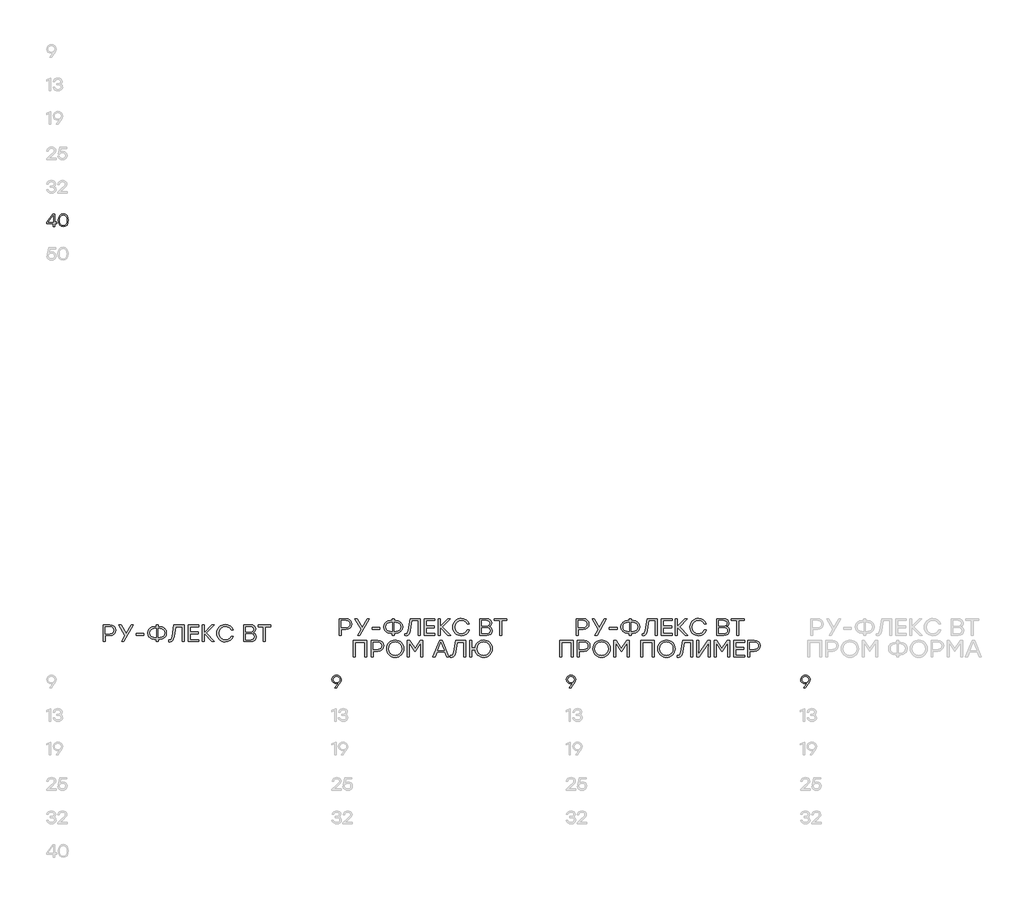
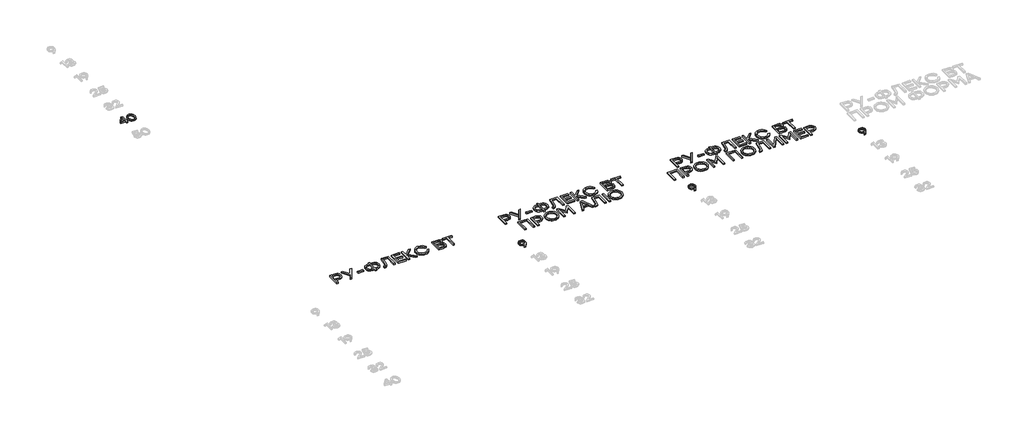
# One storey, part 14 of 41: 7 proxies.
"""IFC4 building model written with IfcOpenShell, lengths in millimetres."""

import ifcopenshell
import ifcopenshell.guid

model = None  # the IFC model being written
_history = None  # IfcOwnerHistory: only IFC2X3 demands one
_inside = {}  # id of a spatial element -> (the spatial element, [elements in it])
_under = {}  # id of a project, library or spatial element -> (it, [spatial elements below it])
_declared = {}  # id of a project -> (the project, [libraries it declares])
_typed = {}  # id of a type object -> (the type object, [elements of that type])
_made_of = {}  # id of a material, layer set ... -> (it, [elements and type objects made of it])


def new_model(schema):
    """Start an empty IFC model of exactly this schema.

    Asked for "IFC4X3", IfcOpenShell would pick the latest addendum, in which some entities
    have other attributes; the version numbers below select the first issue.
    IFC2X3 requires an IfcOwnerHistory on every rooted entity: one is made here for all.
    """
    global model, _history
    if schema == "IFC4X3":
        model = ifcopenshell.file(schema_version=(4, 3, 0, 0))
    else:
        model = ifcopenshell.file(schema=schema)
    _inside.clear()
    _under.clear()
    _declared.clear()
    _typed.clear()
    _made_of.clear()
    _history = None
    if model.schema == "IFC2X3":
        org = make("IfcOrganization", Name="unknown")
        user = make(
            "IfcPersonAndOrganization",
            ThePerson=make("IfcPerson", FamilyName="unknown"),
            TheOrganization=org,
        )
        app = make(
            "IfcApplication",
            ApplicationDeveloper=org,
            Version="unknown",
            ApplicationFullName="unknown",
            ApplicationIdentifier="unknown",
        )
        _history = make(
            "IfcOwnerHistory",
            OwningUser=user,
            OwningApplication=app,
            ChangeAction="ADDED",
            CreationDate=0,
        )
    return model


def make(cls, **values):
    """One entity of the class cls with the attributes given. An attribute that is None is left unset."""
    return model.create_entity(
        cls, **{name: value for name, value in values.items() if value is not None}
    )


def rooted(cls, **values):
    """An entity with a GlobalId (a new one), such as an element, a storey or a relation."""
    return make(cls, GlobalId=ifcopenshell.guid.new(), OwnerHistory=_history, **values)


def si_unit(unit_type, name, prefix=None):
    """IfcSIUnit, for example si_unit("LENGTHUNIT", "METRE", prefix="MILLI")."""
    return make("IfcSIUnit", UnitType=unit_type, Prefix=prefix, Name=name)


def assignment(units):
    """IfcUnitAssignment: the units of a project."""
    return None if units is None else make("IfcUnitAssignment", Units=units)


def point(xyz):
    """IfcCartesianPoint."""
    return None if xyz is None else make("IfcCartesianPoint", Coordinates=xyz)


def direction(xyz):
    """IfcDirection."""
    return None if xyz is None else make("IfcDirection", DirectionRatios=xyz)


def frame(location, z_axis=None, x_axis=None):
    """IfcAxis2Placement3D, a coordinate frame: its origin and axes. An axis left out is left unset."""
    return make(
        "IfcAxis2Placement3D",
        Location=point(location),
        Axis=direction(z_axis),
        RefDirection=direction(x_axis),
    )


def origin():
    """The frame at (0, 0, 0) with its axes left unset."""
    return frame((0.0, 0.0, 0.0))


def origin_with_axes():
    """The frame at (0, 0, 0) with the z axis (0, 0, 1) and the x axis (1, 0, 0) written out."""
    return frame((0.0, 0.0, 0.0), z_axis=(0.0, 0.0, 1.0), x_axis=(1.0, 0.0, 0.0))


def place(relative_to, where):
    """IfcLocalPlacement: puts the frame where relative to a parent placement (None: the world)."""
    return make(
        "IfcLocalPlacement", PlacementRelTo=relative_to, RelativePlacement=where
    )


def context(
    kind, dimensions, precision=None, world=None, true_north=None, identifier=None
):
    """IfcGeometricRepresentationContext, for example the 3D "Model" context."""
    return make(
        "IfcGeometricRepresentationContext",
        ContextIdentifier=identifier,
        ContextType=kind,
        CoordinateSpaceDimension=dimensions,
        Precision=precision,
        WorldCoordinateSystem=world,
        TrueNorth=true_north,
    )


def project(units=None, contexts=None):
    """IfcProject with its units and contexts."""
    return rooted(
        "IfcProject",
        Name="project",
        RepresentationContexts=contexts,
        UnitsInContext=assignment(units),
    )


def spatial(cls, under=None, at=None, **own):
    """A site, building, storey or space (cls), placed at a placement, below another one or the project."""
    s = rooted(cls, ObjectPlacement=at, **own)
    if under is not None:
        _under.setdefault(under.id(), (under, []))[1].append(s)
    return s


def polyline(points):
    """IfcPolyline through the points."""
    return make("IfcPolyline", Points=[point(p) for p in points])


def outline(outer, holes=None, kind="AREA"):
    """IfcArbitraryClosedProfileDef: a profile drawn as a closed curve; with holes, ...WithVoids."""
    if holes is None:
        return make("IfcArbitraryClosedProfileDef", ProfileType=kind, OuterCurve=outer)
    return make(
        "IfcArbitraryProfileDefWithVoids",
        ProfileType=kind,
        OuterCurve=outer,
        InnerCurves=holes,
    )


def extrude(swept, where, along, depth):
    """IfcExtrudedAreaSolid: the profile swept, set in the frame where, extruded along a direction by depth."""
    return make(
        "IfcExtrudedAreaSolid",
        SweptArea=swept,
        Position=where,
        ExtrudedDirection=direction(along),
        Depth=depth,
    )


def shape(context_of_items, identifier, shape_type, items):
    """IfcShapeRepresentation: the items that make up one representation, for example the "Body"."""
    return make(
        "IfcShapeRepresentation",
        ContextOfItems=context_of_items,
        RepresentationIdentifier=identifier,
        RepresentationType=shape_type,
        Items=items,
    )


def made_of(thing, what):
    """Note that an element or type object is made of a material, layer set ...; save() writes the relation."""
    if what is not None:
        _made_of.setdefault(what.id(), (what, []))[1].append(thing)
    return thing


def element(
    cls,
    number,
    at=None,
    inside=None,
    cuts=None,
    type_object=None,
    material=None,
    context=None,
    identifier="Body",
    shape_type=None,
    held_by="IfcProductDefinitionShape",
    body=None,
    shapes=None,
    **own,
):
    """One element of the class cls, such as IfcWall. Its Tag is "e" and its number.

    at: its placement. inside: the storey or other place that contains it. cuts: it is an
    opening in that element (IfcRelVoidsElement). A single representation is given by context,
    identifier, shape_type and body (its items); several are given by shapes. held_by: the class
    of the entity that holds the representations. save() writes the other relations.
    """
    e = rooted(cls, Tag="e%d" % number, ObjectPlacement=at, **own)
    if body is not None:
        shapes = [shape(context, identifier, shape_type, body)]
    if shapes is not None:
        e.Representation = make(held_by, Representations=shapes)
    if inside is not None:
        _inside.setdefault(inside.id(), (inside, []))[1].append(e)
    if cuts is not None:
        rooted(
            "IfcRelVoidsElement", RelatingBuildingElement=cuts, RelatedOpeningElement=e
        )
    if type_object is not None:
        _typed.setdefault(type_object.id(), (type_object, []))[1].append(e)
    return made_of(e, material)


def aggregate(whole, parts):
    """IfcRelAggregates: a whole, such as a stair, and the parts it consists of."""
    return rooted("IfcRelAggregates", RelatingObject=whole, RelatedObjects=parts)


def save(model, path):
    """Write the relations noted so far, then the file.

    IfcRelAggregates (storeys below a building ...), IfcRelContainedInSpatialStructure (elements
    in a storey), IfcRelDefinesByType, IfcRelAssociatesMaterial and IfcRelDeclares: one each for
    every whole, place, type object, material and project.
    """
    for whole, parts in _under.values():
        aggregate(whole, parts)
    for where, things in _inside.values():
        rooted(
            "IfcRelContainedInSpatialStructure",
            RelatedElements=things,
            RelatingStructure=where,
        )
    for kind, things in _typed.values():
        rooted("IfcRelDefinesByType", RelatedObjects=things, RelatingType=kind)
    for what, things in _made_of.values():
        rooted("IfcRelAssociatesMaterial", RelatedObjects=things, RelatingMaterial=what)
    for by, libraries in _declared.values():
        rooted("IfcRelDeclares", RelatingContext=by, RelatedDefinitions=libraries)
    model.write(path)


model = new_model("IFC4")

# Units and contexts
model_context = context("Model", 3, world=origin())
ifc_project = project(units=[si_unit("LENGTHUNIT", "METRE", prefix="MILLI")], contexts=[model_context])

# Site, building, storey
site = spatial("IfcSite", under=ifc_project)
building = spatial("IfcBuilding", under=site)
storey = spatial("IfcBuildingStorey", under=building, Elevation=0.0)

# Proxies
placement = place(None, origin())
element("IfcBuildingElementProxy", 1, Name="Generic Models", at=placement, inside=storey, context=model_context, shape_type="SweptSolid", body=[
    extrude(outline(polyline([(6690.7668841, -38145.0595553), (6690.7668841, -38161.8013274), (6668.7000181, -38161.8013274), (6668.7000181, -38197.7860522), (6650.9093638, -38197.7860522), (6650.9093638, -38161.8013274), (6570.5488573, -38161.8013274), (6570.5488573, -38145.0595553), (6642.1148907, -38047.7959101), (6668.7000181, -38047.7959101), (6668.7000181, -38145.0595553), (6690.7668841, -38145.0595553)]), holes=[polyline([(6590.2355678, -38144.8578472), (6650.9093638, -38144.8578472), (6650.9093638, -38064.4973407), (6649.1746742, -38064.4973407), (6590.2355678, -38144.8578472)])]), origin_with_axes(), (0.0, 0.0, 1.0), 20.0),
    extrude(outline(polyline([(6770.3608998, -38045.4157545), (6795.8668889, -38050.4786278), (6814.9383896, -38065.6672476), (6826.829082, -38090.0688849), (6830.7926462, -38122.7708104), (6826.829082, -38155.4727358), (6814.9383896, -38179.8743731), (6795.8668889, -38195.0629929), (6770.3608998, -38200.1258662), (6745.0061918, -38195.0932491), (6725.9044349, -38179.9953979), (6713.9229738, -38155.6290596), (6709.9291535, -38122.7909812), (6713.9229738, -38089.94786), (6725.9044349, -38065.5663936), (6745.0061918, -38050.4534143), (6770.3608998, -38045.4157545)]), holes=[polyline([(6739.1768278, -38168.5383779), (6752.6005017, -38179.5516401), (6770.3608998, -38183.2227275), (6788.1212979, -38179.5516401), (6801.5449719, -38168.5383779), (6809.9864558, -38149.759354), (6812.8002838, -38122.7909812), (6809.9864558, -38095.8226084), (6801.5449719, -38077.0435844), (6788.1212979, -38066.0303222), (6770.3608998, -38062.3592348), (6752.6005017, -38066.0303222), (6739.1768278, -38077.0435844), (6730.7353439, -38095.8226084), (6727.9215159, -38122.7909812), (6730.7353439, -38149.759354), (6739.1768278, -38168.5383779)])]), origin_with_axes(), (0.0, 0.0, 1.0), 20.0),
])
element("IfcBuildingElementProxy", 2, Name="Generic Models", at=placement, inside=storey, context=model_context, shape_type="SweptSolid", body=[
    extrude(outline(polyline([(7327.9353157, -42958.078303), (7356.9543874, -42962.5427756), (7378.8195453, -42975.9361933), (7392.535696, -42996.3893945), (7397.1077463, -43022.0332175), (7392.4953544, -43048.0670094), (7378.6581789, -43068.937074), (7356.7526794, -43082.6532247), (7327.9353157, -43087.225275), (7271.3494704, -43087.225275), (7271.3494704, -43158.0651592), (7247.628598, -43158.0651592), (7247.628598, -42958.078303), (7327.9353157, -42958.078303)]), holes=[polyline([(7327.0746944, -43064.6339679), (7346.9429422, -43061.6352408), (7361.3650712, -43052.6390596), (7370.1393735, -43039.0708282), (7373.0641409, -43022.3559504), (7370.1393735, -43005.7083087), (7361.3650712, -42992.3417854), (7346.9429422, -42983.5473123), (7327.0746944, -42980.6158212), (7271.3494704, -42980.6158212), (7271.3494704, -43064.6339679), (7327.0746944, -43064.6339679)])]), origin_with_axes(), (0.0, 0.0, 1.0), 20.0),
    extrude(outline(polyline([(7606.1311253, -42958.078303), (7493.0132236, -43158.0651592), (7466.1725992, -43158.0651592), (7507.5899955, -43085.5040325), (7434.7061359, -42958.078303), (7461.600549, -42958.078303), (7520.7144691, -43060.0619177), (7579.5594451, -42958.078303), (7606.1311253, -42958.078303)])), origin_with_axes(), (0.0, 0.0, 1.0), 20.0),
    extrude(outline(polyline([(7732.6962335, -43060.6535948), (7732.6962335, -43083.191113), (7640.0718747, -43083.191113), (7640.0718747, -43060.6535948), (7732.6962335, -43060.6535948)])), origin_with_axes(), (0.0, 0.0, 1.0), 20.0),
    extrude(outline(polyline([(7923.2700451, -42980.6158212), (7954.9180458, -42985.7257597), (7980.6896172, -43001.0555752), (7990.6792108, -43012.1579252), (7997.8146348, -43025.0252209), (8003.522974, -43056.0546501), (7997.8482528, -43087.0840793), (7990.7548513, -43099.9513751), (7980.8240893, -43111.053725), (7955.0861359, -43126.3835405), (7923.2700451, -43131.493479), (7903.5295459, -43131.493479), (7903.5295459, -43158.0651592), (7879.8086735, -43158.0651592), (7879.8086735, -43131.493479), (7859.8530189, -43131.493479), (7827.9965865, -43126.3835405), (7802.245186, -43111.053725), (7792.3144239, -43099.9513751), (7785.2210224, -43087.0840793), (7779.5463013, -43056.0546501), (7785.261364, -43025.0252209), (7792.4051925, -43012.1579252), (7802.4065524, -43001.0555752), (7828.1982946, -42985.7257597), (7859.8530189, -42980.6158212), (7879.8086735, -42980.6158212), (7879.8086735, -42958.078303), (7903.5295459, -42958.078303), (7903.5295459, -42980.6158212), (7923.2700451, -42980.6158212)]), holes=[polyline([(7923.2700451, -43108.902172), (7945.8747994, -43105.4395163), (7963.9881866, -43095.0515492), (7975.8889644, -43078.377013), (7979.8558904, -43056.0546501), (7975.8889644, -43033.7322872), (7963.9881866, -43017.057751), (7945.8747994, -43006.669784), (7923.2700451, -43003.2071283), (7903.5295459, -43003.2071283), (7903.5295459, -43108.902172), (7923.2700451, -43108.902172)]), polyline([(7859.8530189, -43108.902172), (7879.8086735, -43108.902172), (7879.8086735, -43003.2071283), (7859.8530189, -43003.2071283), (7837.4499728, -43006.669784), (7819.4038215, -43017.057751), (7807.5030437, -43033.7322872), (7803.5361178, -43056.0546501), (7807.4627021, -43078.377013), (7819.2424551, -43095.0515492), (7837.2482647, -43105.4395163), (7859.8530189, -43108.902172)])]), origin_with_axes(), (0.0, 0.0, 1.0), 20.0),
    extrude(outline(polyline([(8093.1889474, -42958.078303), (8213.460763, -42958.078303), (8213.460763, -43158.0651592), (8189.7398906, -43158.0651592), (8189.7398906, -42980.6158212), (8113.1446019, -42980.6158212), (8094.0495686, -43096.9072637), (8086.9494435, -43126.9281524), (8077.1598772, -43146.6350336), (8063.9547203, -43157.5474417), (8046.6078238, -43161.1849111), (8030.9014865, -43160.3242899), (8030.9014865, -43138.6473929), (8042.0357736, -43139.1852812), (8052.7330264, -43136.899256), (8060.2970801, -43130.0411807), (8070.5976403, -43095.5087542), (8093.1889474, -42958.078303)])), origin_with_axes(), (0.0, 0.0, 1.0), 20.0),
    extrude(outline(polyline([(8390.0494797, -42980.6158212), (8286.8825109, -42980.6158212), (8286.8825109, -43044.0866363), (8383.16451, -43044.0866363), (8383.16451, -43066.6241545), (8286.8825109, -43066.6241545), (8286.8825109, -43135.4738521), (8390.0494797, -43135.4738521), (8390.0494797, -43158.0651592), (8263.1616385, -43158.0651592), (8263.1616385, -42958.078303), (8390.0494797, -42958.078303), (8390.0494797, -42980.6158212)])), origin_with_axes(), (0.0, 0.0, 1.0), 20.0),
    extrude(outline(polyline([(8576.696707, -43158.0651592), (8546.1446536, -43158.0651592), (8452.1217853, -43060.9225389), (8452.1217853, -43158.0651592), (8428.4009129, -43158.0651592), (8428.4009129, -42958.078303), (8452.1217853, -42958.078303), (8452.1217853, -43051.7784384), (8543.0249017, -42958.078303), (8573.3080109, -42958.078303), (8478.6934655, -43056.0815445), (8576.696707, -43158.0651592)])), origin_with_axes(), (0.0, 0.0, 1.0), 20.0),
    extrude(outline(polyline([(8705.7361013, -43161.1849111), (8684.538261, -43159.3460056), (8665.2129443, -43153.8292891), (8647.760151, -43144.6347616), (8632.1798813, -43131.7624231), (8619.3663743, -43116.121641), (8610.2138694, -43098.6217825), (8604.7223664, -43079.2628478), (8602.8918654, -43058.0448367), (8604.7223664, -43036.8268256), (8610.2138694, -43017.4678908), (8619.3663743, -42999.9680324), (8632.1798813, -42984.3272502), (8647.760151, -42971.4549118), (8665.2129443, -42962.2603843), (8684.538261, -42956.7436678), (8705.7361013, -42954.9047623), (8737.2160119, -42959.4431945), (8764.7424437, -42973.0584911), (8786.4865767, -42994.3118011), (8800.6195909, -43021.7642734), (8775.177476, -43021.7642734), (8763.7137324, -43003.5567556), (8747.6107025, -42989.4909776), (8727.8634797, -42980.4947964), (8705.4671571, -42977.4960693), (8674.5654764, -42983.2447501), (8649.3116225, -43000.4907925), (8632.4891671, -43026.3833888), (8626.8816819, -43058.0717311), (8632.4891671, -43089.7600734), (8649.3116225, -43115.6526697), (8674.5654764, -43132.8987121), (8705.4671571, -43138.6473929), (8727.8634797, -43135.6486658), (8747.6107025, -43126.6524846), (8763.7137324, -43112.5732593), (8775.177476, -43094.3254), (8800.6195909, -43094.3254), (8786.4865767, -43121.8114903), (8764.7424437, -43143.0580767), (8737.2160119, -43156.6532025), (8705.7361013, -43161.1849111)])), origin_with_axes(), (0.0, 0.0, 1.0), 20.0),
    extrude(outline(polyline([(9039.011669, -43051.7784384), (9054.1431382, -43058.6062576), (9064.9513305, -43069.3539374), (9071.4362459, -43084.021478), (9073.5978843, -43102.6088793), (9069.4158031, -43125.8120342), (9056.8695593, -43143.3539152), (9036.3222277, -43154.3873482), (9008.1368827, -43158.0651592), (8924.118736, -43158.0651592), (8924.118736, -42958.078303), (9006.7383732, -42958.078303), (9033.0343857, -42961.399763), (9052.0016706, -42971.3641431), (9063.4788614, -42987.3932133), (9067.3045916, -43008.9087439), (9065.536284, -43023.2669987), (9060.231361, -43035.1980327), (9051.3898227, -43044.701846), (9039.011669, -43051.7784384)]), holes=[polyline([(9043.3147751, -43012.3512287), (9041.02875, -42998.567842), (9034.1706746, -42988.6303564), (9022.0278471, -42982.619455), (9003.8875654, -42980.6158212), (8947.8396084, -42980.6158212), (8947.8396084, -43043.7639033), (9003.2958883, -43043.7639033), (9021.8799278, -43041.7669931), (9034.1706746, -43035.7762626), (9041.02875, -43025.9261838), (9043.3147751, -43012.3512287)]), polyline([(9007.8679386, -43135.4738521), (9026.2469082, -43133.3155755), (9039.3747436, -43126.8407455), (9047.2514448, -43116.0493622), (9049.8770119, -43100.9414257), (9047.3758315, -43085.6183338), (9039.8722902, -43074.5042175), (9026.7209222, -43067.7469962), (9007.2762615, -43065.4945891), (8947.8396084, -43065.4945891), (8947.8396084, -43135.4738521), (9007.8679386, -43135.4738521)])]), origin_with_axes(), (0.0, 0.0, 1.0), 20.0),
    extrude(outline(polyline([(9250.9396446, -42958.078303), (9250.9396446, -42980.6158212), (9186.3392642, -42980.6158212), (9186.3392642, -43158.0651592), (9162.3494477, -43158.0651592), (9162.3494477, -42980.6158212), (9098.0718003, -42980.6158212), (9098.0718003, -42958.078303), (9250.9396446, -42958.078303)])), origin_with_axes(), (0.0, 0.0, 1.0), 20.0),
])
element("IfcBuildingElementProxy", 3, Name="Generic Models", at=placement, inside=storey, context=model_context, shape_type="SweptSolid", body=[
    extrude(outline(polyline([(10036.0477337, -43558.446666), (10057.9179343, -43562.0925399), (10075.9254248, -43573.0301615), (10087.9825264, -43590.1803926), (10092.0015602, -43612.4640948), (10089.3743122, -43630.3051761), (10081.4925683, -43648.2471115), (10039.7188211, -43707.8316838), (10037.3386655, -43710.8169637), (10016.5627313, -43710.8169637), (10059.2038234, -43653.814255), (10045.2254522, -43659.7747294), (10031.1260561, -43661.7615541), (10011.4645592, -43658.4131997), (9994.9194524, -43648.3681364), (9983.6792686, -43632.5340506), (9979.9325406, -43611.8186289), (9983.9515745, -43590.2711613), (9996.0086761, -43573.2318696), (10014.0565082, -43562.1429669), (10036.0477337, -43558.446666)]), holes=[polyline([(10035.8460256, -43647.8033537), (10051.2313108, -43645.3425149), (10063.5002059, -43637.9599985), (10071.5332309, -43626.4525515), (10074.2109059, -43611.6169208), (10071.4777612, -43596.7762475), (10063.278327, -43585.2536723), (10051.0094319, -43577.8560278), (10036.0679045, -43575.3901463), (10021.1263771, -43577.9064548), (10008.857482, -43585.4553804), (10000.6580478, -43597.0788096), (9997.924903, -43611.8186289), (10000.6277916, -43626.629046), (10008.7364571, -43638.0608525), (10020.9196263, -43645.3677284), (10035.8460256, -43647.8033537)])]), origin_with_axes(), (0.0, 0.0, 1.0), 20.0),
])
element("IfcBuildingElementProxy", 4, Name="Generic Models", at=placement, inside=storey, context=model_context, shape_type="SweptSolid", body=[
    extrude(outline(polyline([(12836.0477337, -43558.446666), (12857.9179343, -43562.0925399), (12875.9254248, -43573.0301615), (12887.9825264, -43590.1803926), (12892.0015602, -43612.4640948), (12889.3743122, -43630.3051761), (12881.4925683, -43648.2471115), (12839.7188211, -43707.8316838), (12837.3386655, -43710.8169637), (12816.5627313, -43710.8169637), (12859.2038234, -43653.814255), (12845.2254522, -43659.7747294), (12831.1260561, -43661.7615541), (12811.4645592, -43658.4131997), (12794.9194524, -43648.3681364), (12783.6792686, -43632.5340506), (12779.9325406, -43611.8186289), (12783.9515745, -43590.2711613), (12796.0086761, -43573.2318696), (12814.0565082, -43562.1429669), (12836.0477337, -43558.446666)]), holes=[polyline([(12835.8460256, -43647.8033537), (12851.2313108, -43645.3425149), (12863.5002059, -43637.9599985), (12871.5332309, -43626.4525515), (12874.2109059, -43611.6169208), (12871.4777612, -43596.7762475), (12863.278327, -43585.2536723), (12851.0094319, -43577.8560278), (12836.0679045, -43575.3901463), (12821.1263771, -43577.9064548), (12808.857482, -43585.4553804), (12800.6580478, -43597.0788096), (12797.924903, -43611.8186289), (12800.6277916, -43626.629046), (12808.7364571, -43638.0608525), (12820.9196263, -43645.3677284), (12835.8460256, -43647.8033537)])]), origin_with_axes(), (0.0, 0.0, 1.0), 20.0),
])
element("IfcBuildingElementProxy", 5, Name="Generic Models", at=placement, inside=storey, context=model_context, shape_type="SweptSolid", body=[
    extrude(outline(polyline([(15636.0477337, -43558.446666), (15657.9179343, -43562.0925399), (15675.9254248, -43573.0301615), (15687.9825264, -43590.1803926), (15692.0015602, -43612.4640948), (15689.3743122, -43630.3051761), (15681.4925683, -43648.2471115), (15639.7188211, -43707.8316838), (15637.3386655, -43710.8169637), (15616.5627313, -43710.8169637), (15659.2038234, -43653.814255), (15645.2254522, -43659.7747294), (15631.1260561, -43661.7615541), (15611.4645592, -43658.4131997), (15594.9194524, -43648.3681364), (15583.6792686, -43632.5340506), (15579.9325406, -43611.8186289), (15583.9515745, -43590.2711613), (15596.0086761, -43573.2318696), (15614.0565082, -43562.1429669), (15636.0477337, -43558.446666)]), holes=[polyline([(15635.8460256, -43647.8033537), (15651.2313108, -43645.3425149), (15663.5002059, -43637.9599985), (15671.5332309, -43626.4525515), (15674.2109059, -43611.6169208), (15671.4777612, -43596.7762475), (15663.278327, -43585.2536723), (15651.0094319, -43577.8560278), (15636.0679045, -43575.3901463), (15621.1263771, -43577.9064548), (15608.857482, -43585.4553804), (15600.6580478, -43597.0788096), (15597.924903, -43611.8186289), (15600.6277916, -43626.629046), (15608.7364571, -43638.0608525), (15620.9196263, -43645.3677284), (15635.8460256, -43647.8033537)])]), origin_with_axes(), (0.0, 0.0, 1.0), 20.0),
])
element("IfcBuildingElementProxy", 6, Name="Generic Models", at=placement, inside=storey, context=model_context, shape_type="SweptSolid", body=[
    extrude(outline(polyline([(10147.9353157, -42885.1160762), (10176.9543874, -42889.5805488), (10198.8195453, -42902.9739666), (10212.535696, -42923.4271678), (10217.1077463, -42949.0709907), (10212.4953544, -42975.1047826), (10198.6581789, -42995.9748472), (10176.7526794, -43009.690998), (10147.9353157, -43014.2630482), (10091.3494704, -43014.2630482), (10091.3494704, -43085.1029324), (10067.628598, -43085.1029324), (10067.628598, -42885.1160762), (10147.9353157, -42885.1160762)]), holes=[polyline([(10147.0746944, -42991.6717411), (10166.9429422, -42988.6730141), (10181.3650712, -42979.6768329), (10190.1393735, -42966.1086014), (10193.0641409, -42949.3937237), (10190.1393735, -42932.7460819), (10181.3650712, -42919.3795586), (10166.9429422, -42910.5850855), (10147.0746944, -42907.6535945), (10091.3494704, -42907.6535945), (10091.3494704, -42991.6717411), (10147.0746944, -42991.6717411)])]), origin_with_axes(), (0.0, 0.0, 1.0), 20.0),
    extrude(outline(polyline([(10426.1311253, -42885.1160762), (10313.0132236, -43085.1029324), (10286.1725992, -43085.1029324), (10327.5899955, -43012.5418057), (10254.7061359, -42885.1160762), (10281.600549, -42885.1160762), (10340.7144691, -42987.0996909), (10399.5594451, -42885.1160762), (10426.1311253, -42885.1160762)])), origin_with_axes(), (0.0, 0.0, 1.0), 20.0),
    extrude(outline(polyline([(10552.6962335, -42987.691368), (10552.6962335, -43010.2288862), (10460.0718747, -43010.2288862), (10460.0718747, -42987.691368), (10552.6962335, -42987.691368)])), origin_with_axes(), (0.0, 0.0, 1.0), 20.0),
    extrude(outline(polyline([(10743.2700451, -42907.6535945), (10774.9180458, -42912.763533), (10800.6896172, -42928.0933485), (10810.6792108, -42939.1956984), (10817.8146348, -42952.0629942), (10823.522974, -42983.0924233), (10817.8482528, -43014.1218525), (10810.7548513, -43026.9891483), (10800.8240893, -43038.0914982), (10775.0861359, -43053.4213137), (10743.2700451, -43058.5312522), (10723.5295459, -43058.5312522), (10723.5295459, -43085.1029324), (10699.8086735, -43085.1029324), (10699.8086735, -43058.5312522), (10679.8530189, -43058.5312522), (10647.9965865, -43053.4213137), (10622.245186, -43038.0914982), (10612.3144239, -43026.9891483), (10605.2210224, -43014.1218525), (10599.5463013, -42983.0924233), (10605.261364, -42952.0629942), (10612.4051925, -42939.1956984), (10622.4065524, -42928.0933485), (10648.1982946, -42912.763533), (10679.8530189, -42907.6535945), (10699.8086735, -42907.6535945), (10699.8086735, -42885.1160762), (10723.5295459, -42885.1160762), (10723.5295459, -42907.6535945), (10743.2700451, -42907.6535945)]), holes=[polyline([(10743.2700451, -43035.9399452), (10765.8747994, -43032.4772895), (10783.9881866, -43022.0893224), (10795.8889644, -43005.4147863), (10799.8558904, -42983.0924233), (10795.8889644, -42960.7700604), (10783.9881866, -42944.0955243), (10765.8747994, -42933.7075572), (10743.2700451, -42930.2449015), (10723.5295459, -42930.2449015), (10723.5295459, -43035.9399452), (10743.2700451, -43035.9399452)]), polyline([(10679.8530189, -43035.9399452), (10699.8086735, -43035.9399452), (10699.8086735, -42930.2449015), (10679.8530189, -42930.2449015), (10657.4499728, -42933.7075572), (10639.4038215, -42944.0955243), (10627.5030437, -42960.7700604), (10623.5361178, -42983.0924233), (10627.4627021, -43005.4147863), (10639.2424551, -43022.0893224), (10657.2482647, -43032.4772895), (10679.8530189, -43035.9399452)])]), origin_with_axes(), (0.0, 0.0, 1.0), 20.0),
    extrude(outline(polyline([(10913.1889474, -42885.1160762), (11033.460763, -42885.1160762), (11033.460763, -43085.1029324), (11009.7398906, -43085.1029324), (11009.7398906, -42907.6535945), (10933.1446019, -42907.6535945), (10914.0495686, -43023.9450369), (10906.9494435, -43053.9659256), (10897.1598772, -43073.6728068), (10883.9547203, -43084.585215), (10866.6078238, -43088.2226843), (10850.9014865, -43087.3620631), (10850.9014865, -43065.6851661), (10862.0357736, -43066.2230544), (10872.7330264, -43063.9370293), (10880.2970801, -43057.0789539), (10890.5976403, -43022.5465274), (10913.1889474, -42885.1160762)])), origin_with_axes(), (0.0, 0.0, 1.0), 20.0),
    extrude(outline(polyline([(11210.0494797, -42907.6535945), (11106.8825109, -42907.6535945), (11106.8825109, -42971.1244095), (11203.16451, -42971.1244095), (11203.16451, -42993.6619277), (11106.8825109, -42993.6619277), (11106.8825109, -43062.5116254), (11210.0494797, -43062.5116254), (11210.0494797, -43085.1029324), (11083.1616385, -43085.1029324), (11083.1616385, -42885.1160762), (11210.0494797, -42885.1160762), (11210.0494797, -42907.6535945)])), origin_with_axes(), (0.0, 0.0, 1.0), 20.0),
    extrude(outline(polyline([(11396.696707, -43085.1029324), (11366.1446536, -43085.1029324), (11272.1217853, -42987.9603121), (11272.1217853, -43085.1029324), (11248.4009129, -43085.1029324), (11248.4009129, -42885.1160762), (11272.1217853, -42885.1160762), (11272.1217853, -42978.8162117), (11363.0249017, -42885.1160762), (11393.3080109, -42885.1160762), (11298.6934655, -42983.1193178), (11396.696707, -43085.1029324)])), origin_with_axes(), (0.0, 0.0, 1.0), 20.0),
    extrude(outline(polyline([(11525.7361013, -43088.2226843), (11504.538261, -43086.3837788), (11485.2129443, -43080.8670623), (11467.760151, -43071.6725349), (11452.1798813, -43058.8001964), (11439.3663743, -43043.1594142), (11430.2138694, -43025.6595558), (11424.7223664, -43006.300621), (11422.8918654, -42985.0826099), (11424.7223664, -42963.8645988), (11430.2138694, -42944.5056641), (11439.3663743, -42927.0058056), (11452.1798813, -42911.3650235), (11467.760151, -42898.492685), (11485.2129443, -42889.2981575), (11504.538261, -42883.781441), (11525.7361013, -42881.9425355), (11557.2160119, -42886.4809677), (11584.7424437, -42900.0962644), (11606.4865767, -42921.3495744), (11620.6195909, -42948.8020466), (11595.177476, -42948.8020466), (11583.7137324, -42930.5945289), (11567.6107025, -42916.5287508), (11547.8634797, -42907.5325696), (11525.4671571, -42904.5338425), (11494.5654764, -42910.2825234), (11469.3116225, -42927.5285658), (11452.4891671, -42953.421162), (11446.8816819, -42985.1095043), (11452.4891671, -43016.7978466), (11469.3116225, -43042.6904429), (11494.5654764, -43059.9364853), (11525.4671571, -43065.6851661), (11547.8634797, -43062.6864391), (11567.6107025, -43053.6902579), (11583.7137324, -43039.6110326), (11595.177476, -43021.3631733), (11620.6195909, -43021.3631733), (11606.4865767, -43048.8492635), (11584.7424437, -43070.0958499), (11557.2160119, -43083.6909757), (11525.7361013, -43088.2226843)])), origin_with_axes(), (0.0, 0.0, 1.0), 20.0),
    extrude(outline(polyline([(11859.011669, -42978.8162117), (11874.1431382, -42985.6440308), (11884.9513305, -42996.3917106), (11891.4362459, -43011.0592512), (11893.5978843, -43029.6466525), (11889.4158031, -43052.8498075), (11876.8695593, -43070.3916884), (11856.3222277, -43081.4251214), (11828.1368827, -43085.1029324), (11744.118736, -43085.1029324), (11744.118736, -42885.1160762), (11826.7383732, -42885.1160762), (11853.0343857, -42888.4375363), (11872.0016706, -42898.4019163), (11883.4788614, -42914.4309866), (11887.3045916, -42935.9465171), (11885.536284, -42950.3047719), (11880.231361, -42962.2358059), (11871.3898227, -42971.7396192), (11859.011669, -42978.8162117)]), holes=[polyline([(11863.3147751, -42939.389002), (11861.02875, -42925.6056152), (11854.1706746, -42915.6681296), (11842.0278471, -42909.6572282), (11823.8875654, -42907.6535945), (11767.8396084, -42907.6535945), (11767.8396084, -42970.8016765), (11823.2958883, -42970.8016765), (11841.8799278, -42968.8047664), (11854.1706746, -42962.8140358), (11861.02875, -42952.963957), (11863.3147751, -42939.389002)]), polyline([(11827.8679386, -43062.5116254), (11846.2469082, -43060.3533487), (11859.3747436, -43053.8785188), (11867.2514448, -43043.0871355), (11869.8770119, -43027.9791989), (11867.3758315, -43012.656107), (11859.8722902, -43001.5419908), (11846.7209222, -42994.7847695), (11827.2762615, -42992.5323624), (11767.8396084, -42992.5323624), (11767.8396084, -43062.5116254), (11827.8679386, -43062.5116254)])]), origin_with_axes(), (0.0, 0.0, 1.0), 20.0),
    extrude(outline(polyline([(12070.9396446, -42885.1160762), (12070.9396446, -42907.6535945), (12006.3392642, -42907.6535945), (12006.3392642, -43085.1029324), (11982.3494477, -43085.1029324), (11982.3494477, -42907.6535945), (11918.0718003, -42907.6535945), (11918.0718003, -42885.1160762), (12070.9396446, -42885.1160762)])), origin_with_axes(), (0.0, 0.0, 1.0), 20.0),
    extrude(outline(polyline([(10398.0533579, -43143.6383193), (10398.0533579, -43343.6251754), (10374.3324855, -43343.6251754), (10374.3324855, -43166.1758375), (10258.3099872, -43166.1758375), (10258.3099872, -43343.6251754), (10234.5891148, -43343.6251754), (10234.5891148, -43143.6383193), (10258.3099872, -43143.6383193), (10398.0533579, -43143.6383193)])), origin_with_axes(), (0.0, 0.0, 1.0), 20.0),
    extrude(outline(polyline([(10528.3298952, -43143.6383193), (10557.348967, -43148.1027918), (10579.2141249, -43161.4962096), (10592.9302756, -43181.9494108), (10597.5023259, -43207.5932337), (10592.889934, -43233.6270257), (10579.0527584, -43254.4970903), (10557.1472589, -43268.213241), (10528.3298952, -43272.7852912), (10471.74405, -43272.7852912), (10471.74405, -43343.6251754), (10448.0231776, -43343.6251754), (10448.0231776, -43143.6383193), (10528.3298952, -43143.6383193)]), holes=[polyline([(10527.469274, -43250.1939842), (10547.3375217, -43247.1952571), (10561.7596508, -43238.1990759), (10570.5339531, -43224.6308445), (10573.4587205, -43207.9159667), (10570.5339531, -43191.2683249), (10561.7596508, -43177.9018016), (10547.3375217, -43169.1073285), (10527.469274, -43166.1758375), (10471.74405, -43166.1758375), (10471.74405, -43250.1939842), (10527.469274, -43250.1939842)])]), origin_with_axes(), (0.0, 0.0, 1.0), 20.0),
    extrude(outline(polyline([(10662.1027062, -43170.048633), (10677.8964504, -43157.1056966), (10695.4248841, -43147.8607421), (10714.6880075, -43142.3137694), (10735.6858206, -43140.4647785), (10756.6651438, -43142.3137694), (10775.8727975, -43147.8607421), (10793.3087817, -43157.1056966), (10808.9730964, -43170.048633), (10821.9042665, -43185.741523), (10831.1408165, -43203.2363388), (10836.6827465, -43222.5330802), (10838.5300565, -43243.6317473), (10836.6726611, -43264.7287336), (10831.1004749, -43284.0204323), (10821.8134978, -43301.5068435), (10808.81173, -43317.1879673), (10793.0784983, -43330.1191373), (10775.5971297, -43339.3556873), (10756.3676243, -43344.8976174), (10735.3899821, -43346.7449274), (10714.4123398, -43344.8976174), (10695.1828344, -43339.3556873), (10677.7014659, -43330.1191373), (10661.9682342, -43317.1879673), (10648.9664663, -43301.5068435), (10639.6794893, -43284.0204323), (10634.1073031, -43264.7287336), (10632.2499076, -43243.6317473), (10634.1157076, -43222.5330802), (10639.7131073, -43203.2363388), (10649.0421069, -43185.741523), (10662.1027062, -43170.048633)]), holes=[polyline([(10735.4168765, -43163.0560856), (10704.6093262, -43168.8383844), (10679.0999753, -43186.1852809), (10661.954787, -43212.1047715), (10656.2397242, -43243.6048529), (10661.954787, -43275.1116579), (10679.0999753, -43301.0513194), (10704.6093262, -43318.4183867), (10735.4168765, -43324.2074091), (10766.3857932, -43318.4587283), (10791.8413553, -43301.2126859), (10808.8655188, -43275.3200896), (10814.54024, -43243.6317473), (10808.8655188, -43211.9434051), (10791.8413553, -43186.0508088), (10766.3857932, -43168.8047664), (10735.4168765, -43163.0560856)])]), origin_with_axes(), (0.0, 0.0, 1.0), 20.0),
    extrude(outline(polyline([(11036.3653596, -43143.6383193), (11065.5189035, -43143.6383193), (11065.5189035, -43343.6251754), (11041.7980311, -43343.6251754), (11041.7980311, -43174.1903726), (10974.0778988, -43276.4967202), (10971.8187681, -43276.4967202), (10904.0986357, -43174.1903726), (10904.0986357, -43343.6251754), (10880.3777634, -43343.6251754), (10880.3777634, -43143.6383193), (10909.5313072, -43143.6383193), (10972.9483334, -43239.0596971), (11036.3653596, -43143.6383193)])), origin_with_axes(), (0.0, 0.0, 1.0), 20.0),
    extrude(outline(polyline([(11351.9444035, -43343.6251754), (11328.2235311, -43283.5968453), (11235.3840169, -43283.5968453), (11211.6631445, -43343.6251754), (11186.5437626, -43343.6251754), (11266.5277473, -43143.6383193), (11297.0798007, -43143.6383193), (11377.1175742, -43343.6251754), (11351.9444035, -43343.6251754)]), holes=[polyline([(11244.5281174, -43261.0593271), (11319.4021636, -43261.0593271), (11281.9651405, -43166.1758375), (11244.5281174, -43261.0593271)])]), origin_with_axes(), (0.0, 0.0, 1.0), 20.0),
    extrude(outline(polyline([(11458.8228014, -43143.6383193), (11579.094617, -43143.6383193), (11579.094617, -43343.6251754), (11555.3737446, -43343.6251754), (11555.3737446, -43166.1758375), (11478.7784559, -43166.1758375), (11459.6834226, -43282.4672799), (11452.5832975, -43312.4881686), (11442.7937311, -43332.1950498), (11429.5885743, -43343.107458), (11412.2416778, -43346.7449274), (11396.5353405, -43345.8843061), (11396.5353405, -43324.2074091), (11407.6696275, -43324.7452974), (11418.3668804, -43322.4592723), (11425.9309341, -43315.6011969), (11436.2314943, -43281.0687704), (11458.8228014, -43143.6383193)])), origin_with_axes(), (0.0, 0.0, 1.0), 20.0),
    extrude(outline(polyline([(11793.1203568, -43140.4647785), (11814.1080845, -43142.3137694), (11833.3409517, -43147.8607421), (11850.8189584, -43157.1056966), (11866.5421047, -43170.048633), (11879.5321062, -43185.741523), (11888.8106788, -43203.2363388), (11894.3778223, -43222.5330802), (11896.2335368, -43243.6317473), (11894.3778223, -43264.7287336), (11888.8106788, -43284.0204323), (11879.5321062, -43301.5068435), (11866.5421047, -43317.1879673), (11850.8189584, -43330.1191373), (11833.3409517, -43339.3556873), (11814.1080845, -43344.8976174), (11793.1203568, -43346.7449274), (11773.5630757, -43345.1295817), (11755.4480076, -43340.2835446), (11738.7751523, -43332.2068161), (11723.54451, -43320.8993963), (11710.5998927, -43307.1109669), (11700.7851128, -43291.5912096), (11694.1001703, -43274.3401245), (11690.545065, -43255.3577115), (11652.5163648, -43255.3577115), (11652.5163648, -43343.6251754), (11628.7954925, -43343.6251754), (11628.7954925, -43143.6383193), (11652.5163648, -43143.6383193), (11652.5163648, -43232.4974603), (11690.2761209, -43232.4974603), (11693.8295452, -43213.3637662), (11700.5094451, -43195.9815708), (11710.3158205, -43180.3508741), (11723.2486714, -43166.471676), (11738.4877183, -43155.0936584), (11755.2126815, -43146.9665029), (11773.423561, -43142.0902096), (11793.1203568, -43140.4647785)]), holes=[polyline([(11736.6420892, -43301.2395803), (11762.1379928, -43318.4654519), (11793.1203568, -43324.2074091), (11824.0892735, -43318.4587283), (11849.5448356, -43301.2126859), (11866.5689991, -43275.3200896), (11872.2437203, -43243.6317473), (11866.5689991, -43211.9434051), (11849.5448356, -43186.0508088), (11824.0892735, -43168.8047664), (11793.1203568, -43163.0560856), (11762.1447164, -43168.8047664), (11736.6689836, -43186.0508088), (11719.5574132, -43211.9434051), (11713.6742603, -43243.6317473), (11719.5506896, -43275.3268132), (11736.6420892, -43301.2395803)])]), origin_with_axes(), (0.0, 0.0, 1.0), 20.0),
])
element("IfcBuildingElementProxy", 7, Name="Generic Models", at=placement, inside=storey, context=model_context, shape_type="SweptSolid", body=[
    extrude(outline(polyline([(12981.8311404, -42885.1160762), (13010.8502122, -42889.5805488), (13032.71537, -42902.9739666), (13046.4315208, -42923.4271678), (13051.003571, -42949.0709907), (13046.3911791, -42975.1047826), (13032.5540036, -42995.9748472), (13010.6485041, -43009.690998), (12981.8311404, -43014.2630482), (12925.2452951, -43014.2630482), (12925.2452951, -43085.1029324), (12901.5244227, -43085.1029324), (12901.5244227, -42885.1160762), (12981.8311404, -42885.1160762)]), holes=[polyline([(12980.9705191, -42991.6717411), (13000.8387669, -42988.6730141), (13015.2608959, -42979.6768329), (13024.0351982, -42966.1086014), (13026.9599656, -42949.3937237), (13024.0351982, -42932.7460819), (13015.2608959, -42919.3795586), (13000.8387669, -42910.5850855), (12980.9705191, -42907.6535945), (12925.2452951, -42907.6535945), (12925.2452951, -42991.6717411), (12980.9705191, -42991.6717411)])]), origin_with_axes(), (0.0, 0.0, 1.0), 20.0),
    extrude(outline(polyline([(13260.02695, -42885.1160762), (13146.9090483, -43085.1029324), (13120.068424, -43085.1029324), (13161.4858202, -43012.5418057), (13088.6019606, -42885.1160762), (13115.4963737, -42885.1160762), (13174.6102938, -42987.0996909), (13233.4552698, -42885.1160762), (13260.02695, -42885.1160762)])), origin_with_axes(), (0.0, 0.0, 1.0), 20.0),
    extrude(outline(polyline([(13386.5920583, -42987.691368), (13386.5920583, -43010.2288862), (13293.9676994, -43010.2288862), (13293.9676994, -42987.691368), (13386.5920583, -42987.691368)])), origin_with_axes(), (0.0, 0.0, 1.0), 20.0),
    extrude(outline(polyline([(13577.1658698, -42907.6535945), (13608.8138705, -42912.763533), (13634.5854419, -42928.0933485), (13644.5750355, -42939.1956984), (13651.7104595, -42952.0629942), (13657.4187987, -42983.0924233), (13651.7440775, -43014.1218525), (13644.650676, -43026.9891483), (13634.719914, -43038.0914982), (13608.9819606, -43053.4213137), (13577.1658698, -43058.5312522), (13557.4253706, -43058.5312522), (13557.4253706, -43085.1029324), (13533.7044982, -43085.1029324), (13533.7044982, -43058.5312522), (13513.7488436, -43058.5312522), (13481.8924112, -43053.4213137), (13456.1410107, -43038.0914982), (13446.2102486, -43026.9891483), (13439.1168471, -43014.1218525), (13433.442126, -42983.0924233), (13439.1571888, -42952.0629942), (13446.3010172, -42939.1956984), (13456.3023771, -42928.0933485), (13482.0941193, -42912.763533), (13513.7488436, -42907.6535945), (13533.7044982, -42907.6535945), (13533.7044982, -42885.1160762), (13557.4253706, -42885.1160762), (13557.4253706, -42907.6535945), (13577.1658698, -42907.6535945)]), holes=[polyline([(13577.1658698, -43035.9399452), (13599.7706241, -43032.4772895), (13617.8840113, -43022.0893224), (13629.7847892, -43005.4147863), (13633.7517151, -42983.0924233), (13629.7847892, -42960.7700604), (13617.8840113, -42944.0955243), (13599.7706241, -42933.7075572), (13577.1658698, -42930.2449015), (13557.4253706, -42930.2449015), (13557.4253706, -43035.9399452), (13577.1658698, -43035.9399452)]), polyline([(13513.7488436, -43035.9399452), (13533.7044982, -43035.9399452), (13533.7044982, -42930.2449015), (13513.7488436, -42930.2449015), (13491.3457975, -42933.7075572), (13473.2996462, -42944.0955243), (13461.3988684, -42960.7700604), (13457.4319425, -42983.0924233), (13461.3585268, -43005.4147863), (13473.1382798, -43022.0893224), (13491.1440894, -43032.4772895), (13513.7488436, -43035.9399452)])]), origin_with_axes(), (0.0, 0.0, 1.0), 20.0),
    extrude(outline(polyline([(13747.0847721, -42885.1160762), (13867.3565877, -42885.1160762), (13867.3565877, -43085.1029324), (13843.6357153, -43085.1029324), (13843.6357153, -42907.6535945), (13767.0404267, -42907.6535945), (13747.9453933, -43023.9450369), (13740.8452682, -43053.9659256), (13731.0557019, -43073.6728068), (13717.850545, -43084.585215), (13700.5036485, -43088.2226843), (13684.7973112, -43087.3620631), (13684.7973112, -43065.6851661), (13695.9315983, -43066.2230544), (13706.6288511, -43063.9370293), (13714.1929048, -43057.0789539), (13724.4934651, -43022.5465274), (13747.0847721, -42885.1160762)])), origin_with_axes(), (0.0, 0.0, 1.0), 20.0),
    extrude(outline(polyline([(14043.9453044, -42907.6535945), (13940.7783356, -42907.6535945), (13940.7783356, -42971.1244095), (14037.0603347, -42971.1244095), (14037.0603347, -42993.6619277), (13940.7783356, -42993.6619277), (13940.7783356, -43062.5116254), (14043.9453044, -43062.5116254), (14043.9453044, -43085.1029324), (13917.0574632, -43085.1029324), (13917.0574632, -42885.1160762), (14043.9453044, -42885.1160762), (14043.9453044, -42907.6535945)])), origin_with_axes(), (0.0, 0.0, 1.0), 20.0),
    extrude(outline(polyline([(14230.5925317, -43085.1029324), (14200.0404783, -43085.1029324), (14106.01761, -42987.9603121), (14106.01761, -43085.1029324), (14082.2967376, -43085.1029324), (14082.2967376, -42885.1160762), (14106.01761, -42885.1160762), (14106.01761, -42978.8162117), (14196.9207264, -42885.1160762), (14227.2038356, -42885.1160762), (14132.5892902, -42983.1193178), (14230.5925317, -43085.1029324)])), origin_with_axes(), (0.0, 0.0, 1.0), 20.0),
    extrude(outline(polyline([(14359.631926, -43088.2226843), (14338.4340857, -43086.3837788), (14319.108769, -43080.8670623), (14301.6559757, -43071.6725349), (14286.075706, -43058.8001964), (14273.262199, -43043.1594142), (14264.1096941, -43025.6595558), (14258.6181911, -43006.300621), (14256.7876901, -42985.0826099), (14258.6181911, -42963.8645988), (14264.1096941, -42944.5056641), (14273.262199, -42927.0058056), (14286.075706, -42911.3650235), (14301.6559757, -42898.492685), (14319.108769, -42889.2981575), (14338.4340857, -42883.781441), (14359.631926, -42881.9425355), (14391.1118366, -42886.4809677), (14418.6382684, -42900.0962644), (14440.3824015, -42921.3495744), (14454.5154156, -42948.8020466), (14429.0733007, -42948.8020466), (14417.6095571, -42930.5945289), (14401.5065272, -42916.5287508), (14381.7593044, -42907.5325696), (14359.3629818, -42904.5338425), (14328.4613011, -42910.2825234), (14303.2074472, -42927.5285658), (14286.3849918, -42953.421162), (14280.7775066, -42985.1095043), (14286.3849918, -43016.7978466), (14303.2074472, -43042.6904429), (14328.4613011, -43059.9364853), (14359.3629818, -43065.6851661), (14381.7593044, -43062.6864391), (14401.5065272, -43053.6902579), (14417.6095571, -43039.6110326), (14429.0733007, -43021.3631733), (14454.5154156, -43021.3631733), (14440.3824015, -43048.8492635), (14418.6382684, -43070.0958499), (14391.1118366, -43083.6909757), (14359.631926, -43088.2226843)])), origin_with_axes(), (0.0, 0.0, 1.0), 20.0),
    extrude(outline(polyline([(14692.9074937, -42978.8162117), (14708.0389629, -42985.6440308), (14718.8471552, -42996.3917106), (14725.3320706, -43011.0592512), (14727.493709, -43029.6466525), (14723.3116278, -43052.8498075), (14710.765384, -43070.3916884), (14690.2180524, -43081.4251214), (14662.0327074, -43085.1029324), (14578.0145607, -43085.1029324), (14578.0145607, -42885.1160762), (14660.6341979, -42885.1160762), (14686.9302104, -42888.4375363), (14705.8974953, -42898.4019163), (14717.3746861, -42914.4309866), (14721.2004163, -42935.9465171), (14719.4321087, -42950.3047719), (14714.1271857, -42962.235806), (14705.2856474, -42971.7396192), (14692.9074937, -42978.8162117)]), holes=[polyline([(14697.2105998, -42939.389002), (14694.9245747, -42925.6056152), (14688.0664993, -42915.6681296), (14675.9236718, -42909.6572282), (14657.7833901, -42907.6535945), (14601.7354331, -42907.6535945), (14601.7354331, -42970.8016765), (14657.191713, -42970.8016765), (14675.7757525, -42968.8047664), (14688.0664993, -42962.8140358), (14694.9245747, -42952.963957), (14697.2105998, -42939.389002)]), polyline([(14661.7637633, -43062.5116254), (14680.1427329, -43060.3533487), (14693.2705683, -43053.8785188), (14701.1472695, -43043.0871355), (14703.7728366, -43027.9791989), (14701.2716562, -43012.656107), (14693.7681149, -43001.5419908), (14680.6167469, -42994.7847695), (14661.1720862, -42992.5323624), (14601.7354331, -42992.5323624), (14601.7354331, -43062.5116254), (14661.7637633, -43062.5116254)])]), origin_with_axes(), (0.0, 0.0, 1.0), 20.0),
    extrude(outline(polyline([(14904.8354693, -42885.1160762), (14904.8354693, -42907.6535945), (14840.2350889, -42907.6535945), (14840.2350889, -43085.1029324), (14816.2452724, -43085.1029324), (14816.2452724, -42907.6535945), (14751.967625, -42907.6535945), (14751.967625, -42885.1160762), (14904.8354693, -42885.1160762)])), origin_with_axes(), (0.0, 0.0, 1.0), 20.0),
    extrude(outline(polyline([(12863.6033002, -43143.6383193), (12863.6033002, -43343.6251754), (12839.8824278, -43343.6251754), (12839.8824278, -43166.1758375), (12723.8599294, -43166.1758375), (12723.8599294, -43343.6251754), (12700.139057, -43343.6251754), (12700.139057, -43143.6383193), (12723.8599294, -43143.6383193), (12863.6033002, -43143.6383193)])), origin_with_axes(), (0.0, 0.0, 1.0), 20.0),
    extrude(outline(polyline([(12993.8798375, -43143.6383193), (13022.8989092, -43148.1027918), (13044.7640671, -43161.4962096), (13058.4802178, -43181.9494108), (13063.0522681, -43207.5932337), (13058.4398762, -43233.6270257), (13044.6027007, -43254.4970903), (13022.6972011, -43268.213241), (12993.8798375, -43272.7852912), (12937.2939922, -43272.7852912), (12937.2939922, -43343.6251754), (12913.5731198, -43343.6251754), (12913.5731198, -43143.6383193), (12993.8798375, -43143.6383193)]), holes=[polyline([(12993.0192162, -43250.1939842), (13012.887464, -43247.1952571), (13027.309593, -43238.1990759), (13036.0838953, -43224.6308445), (13039.0086627, -43207.9159667), (13036.0838953, -43191.2683249), (13027.309593, -43177.9018016), (13012.887464, -43169.1073285), (12993.0192162, -43166.1758375), (12937.2939922, -43166.1758375), (12937.2939922, -43250.1939842), (12993.0192162, -43250.1939842)])]), origin_with_axes(), (0.0, 0.0, 1.0), 20.0),
    extrude(outline(polyline([(13127.6526485, -43170.048633), (13143.4463926, -43157.1056966), (13160.9748264, -43147.8607421), (13180.2379498, -43142.3137694), (13201.2357628, -43140.4647785), (13222.215086, -43142.3137694), (13241.4227397, -43147.8607421), (13258.8587239, -43157.1056966), (13274.5230387, -43170.048633), (13287.4542087, -43185.741523), (13296.6907587, -43203.2363388), (13302.2326887, -43222.5330802), (13304.0799987, -43243.6317473), (13302.2226033, -43264.7287336), (13296.6504171, -43284.0204323), (13287.36344, -43301.5068435), (13274.3616722, -43317.1879673), (13258.6284405, -43330.1191373), (13241.1470719, -43339.3556873), (13221.9175665, -43344.8976174), (13200.9399243, -43346.7449274), (13179.962282, -43344.8976174), (13160.7327766, -43339.3556873), (13143.2514081, -43330.1191373), (13127.5181764, -43317.1879673), (13114.5164085, -43301.5068435), (13105.2294315, -43284.0204323), (13099.6572453, -43264.7287336), (13097.7998499, -43243.6317473), (13099.6656498, -43222.5330802), (13105.2630495, -43203.2363388), (13114.5920491, -43185.741523), (13127.6526485, -43170.048633)]), holes=[polyline([(13200.9668187, -43163.0560856), (13170.1592684, -43168.8383844), (13144.6499176, -43186.1852809), (13127.5047292, -43212.1047715), (13121.7896664, -43243.6048529), (13127.5047292, -43275.1116579), (13144.6499176, -43301.0513194), (13170.1592684, -43318.4183867), (13200.9668187, -43324.2074091), (13231.9357354, -43318.4587283), (13257.3912975, -43301.2126859), (13274.415461, -43275.3200896), (13280.0901822, -43243.6317473), (13274.415461, -43211.9434051), (13257.3912975, -43186.0508088), (13231.9357354, -43168.8047664), (13200.9668187, -43163.0560856)])]), origin_with_axes(), (0.0, 0.0, 1.0), 20.0),
    extrude(outline(polyline([(13501.9153018, -43143.6383193), (13531.0688457, -43143.6383193), (13531.0688457, -43343.6251754), (13507.3479733, -43343.6251754), (13507.3479733, -43174.1903726), (13439.627841, -43276.4967202), (13437.3687103, -43276.4967202), (13369.648578, -43174.1903726), (13369.648578, -43343.6251754), (13345.9277056, -43343.6251754), (13345.9277056, -43143.6383193), (13375.0812494, -43143.6383193), (13438.4982756, -43239.0596971), (13501.9153018, -43143.6383193)])), origin_with_axes(), (0.0, 0.0, 1.0), 20.0),
    extrude(outline(polyline([(13830.9415523, -43143.6383193), (13830.9415523, -43343.6251754), (13807.2206799, -43343.6251754), (13807.2206799, -43166.1758375), (13691.1981816, -43166.1758375), (13691.1981816, -43343.6251754), (13667.4773092, -43343.6251754), (13667.4773092, -43143.6383193), (13691.1981816, -43143.6383193), (13830.9415523, -43143.6383193)])), origin_with_axes(), (0.0, 0.0, 1.0), 20.0),
    extrude(outline(polyline([(13902.2117471, -43170.048633), (13918.0054913, -43157.1056966), (13935.533925, -43147.8607421), (13954.7970484, -43142.3137694), (13975.7948615, -43140.4647785), (13996.7741847, -43142.3137694), (14015.9818384, -43147.8607421), (14033.4178226, -43157.1056966), (14049.0821373, -43170.048633), (14062.0133074, -43185.741523), (14071.2498574, -43203.2363388), (14076.7917874, -43222.5330802), (14078.6390974, -43243.6317473), (14076.781702, -43264.7287336), (14071.2095158, -43284.0204323), (14061.9225387, -43301.5068435), (14048.9207709, -43317.1879673), (14033.1875392, -43330.1191373), (14015.7061706, -43339.3556873), (13996.4766652, -43344.8976174), (13975.499023, -43346.7449274), (13954.5213807, -43344.8976174), (13935.2918753, -43339.3556873), (13917.8105068, -43330.1191373), (13902.0772751, -43317.1879673), (13889.0755072, -43301.5068435), (13879.7885302, -43284.0204323), (13874.216344, -43264.7287336), (13872.3589485, -43243.6317473), (13874.2247485, -43222.5330802), (13879.8221482, -43203.2363388), (13889.1511478, -43185.741523), (13902.2117471, -43170.048633)]), holes=[polyline([(13975.5259174, -43163.0560856), (13944.7183671, -43168.8383844), (13919.2090163, -43186.1852809), (13902.0638279, -43212.1047715), (13896.3487651, -43243.6048529), (13902.0638279, -43275.1116579), (13919.2090163, -43301.0513194), (13944.7183671, -43318.4183867), (13975.5259174, -43324.2074091), (14006.4948341, -43318.4587283), (14031.9503962, -43301.2126859), (14048.9745597, -43275.3200896), (14054.6492809, -43243.6317473), (14048.9745597, -43211.9434051), (14031.9503962, -43186.0508088), (14006.4948341, -43168.8047664), (13975.5259174, -43163.0560856)])]), origin_with_axes(), (0.0, 0.0, 1.0), 20.0),
    extrude(outline(polyline([(14168.7891703, -43143.6383193), (14289.0609859, -43143.6383193), (14289.0609859, -43343.6251754), (14265.3401135, -43343.6251754), (14265.3401135, -43166.1758375), (14188.7448248, -43166.1758375), (14169.6497915, -43282.4672799), (14162.5496664, -43312.4881686), (14152.7601, -43332.1950498), (14139.5549432, -43343.107458), (14122.2080467, -43346.7449274), (14106.5017094, -43345.8843061), (14106.5017094, -43324.2074091), (14117.6359965, -43324.7452974), (14128.3332493, -43322.4592723), (14135.897303, -43315.6011969), (14146.1978632, -43281.0687704), (14168.7891703, -43143.6383193)])), origin_with_axes(), (0.0, 0.0, 1.0), 20.0),
    extrude(outline(polyline([(14471.9429953, -43143.6383193), (14501.0965391, -43143.6383193), (14501.0965391, -43343.6251754), (14477.3756667, -43343.6251754), (14477.3756667, -43259.9297617), (14479.3658533, -43175.3199379), (14366.5168957, -43343.6251754), (14337.3633519, -43343.6251754), (14337.3633519, -43143.6383193), (14361.0842243, -43143.6383193), (14361.0842243, -43227.333733), (14359.0940377, -43311.8897679), (14471.9429953, -43143.6383193)])), origin_with_axes(), (0.0, 0.0, 1.0), 20.0),
    extrude(outline(polyline([(14703.342526, -43143.6383193), (14732.4960699, -43143.6383193), (14732.4960699, -43343.6251754), (14708.7751975, -43343.6251754), (14708.7751975, -43174.1903726), (14641.0550652, -43276.4967202), (14638.7959345, -43276.4967202), (14571.0758021, -43174.1903726), (14571.0758021, -43343.6251754), (14547.3549297, -43343.6251754), (14547.3549297, -43143.6383193), (14576.5084736, -43143.6383193), (14639.9254998, -43239.0596971), (14703.342526, -43143.6383193)])), origin_with_axes(), (0.0, 0.0, 1.0), 20.0),
    extrude(outline(polyline([(14909.7302525, -43166.1758375), (14806.5632837, -43166.1758375), (14806.5632837, -43229.6466525), (14902.8452827, -43229.6466525), (14902.8452827, -43252.1841707), (14806.5632837, -43252.1841707), (14806.5632837, -43321.0338684), (14909.7302525, -43321.0338684), (14909.7302525, -43343.6251754), (14782.8424113, -43343.6251754), (14782.8424113, -43143.6383193), (14909.7302525, -43143.6383193), (14909.7302525, -43166.1758375)])), origin_with_axes(), (0.0, 0.0, 1.0), 20.0),
    extrude(outline(polyline([(15028.3884033, -43143.6383193), (15057.4074751, -43148.1027918), (15079.272633, -43161.4962096), (15092.9887837, -43181.9494108), (15097.5608339, -43207.5932337), (15092.9484421, -43233.6270257), (15079.1112665, -43254.4970903), (15057.205767, -43268.213241), (15028.3884033, -43272.7852912), (14971.8025581, -43272.7852912), (14971.8025581, -43343.6251754), (14948.0816857, -43343.6251754), (14948.0816857, -43143.6383193), (15028.3884033, -43143.6383193)]), holes=[polyline([(15027.5277821, -43250.1939842), (15047.3960298, -43247.1952571), (15061.8181589, -43238.1990759), (15070.5924612, -43224.6308445), (15073.5172286, -43207.9159667), (15070.5924612, -43191.2683249), (15061.8181589, -43177.9018016), (15047.3960298, -43169.1073285), (15027.5277821, -43166.1758375), (14971.8025581, -43166.1758375), (14971.8025581, -43250.1939842), (15027.5277821, -43250.1939842)])]), origin_with_axes(), (0.0, 0.0, 1.0), 20.0),
])

save(model, "model.ifc")
